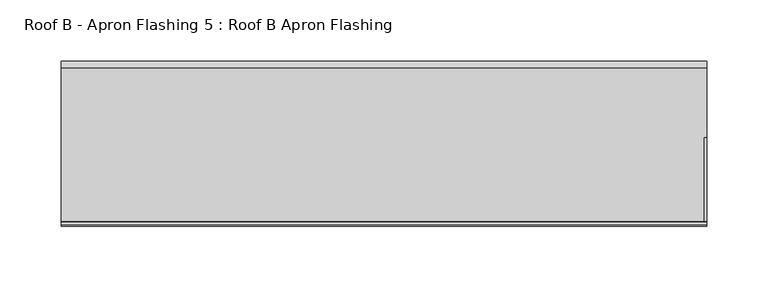
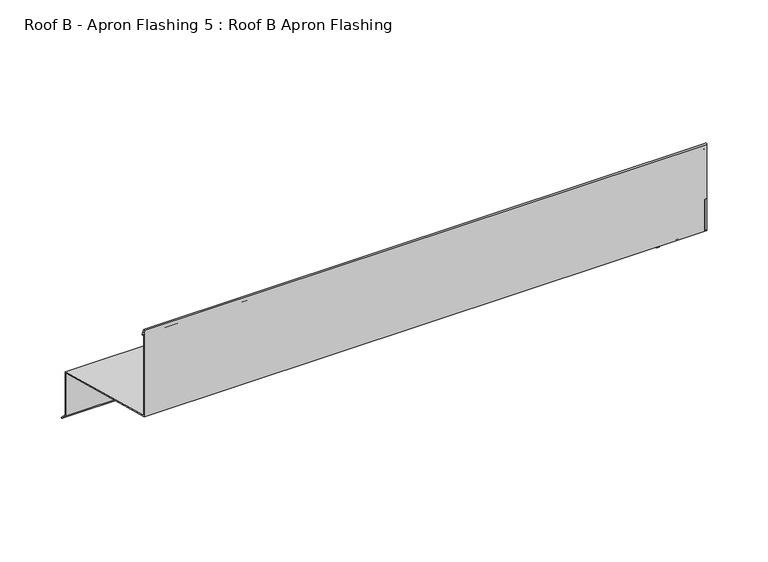
"""IFC4 building model written with IfcOpenShell, lengths in millimetres: proxy geometry, Roof B - Apron Flashing 5 : Roof B Apron Flashing."""

from ifc_helpers import new_model, si_unit, point, frame, frame_2d, origin, place, context, project, spatial, polyline, circle_curve, trimmed, segment, composite_curve, outline, extrude, source, transform, mapped, element, save


def roof_b_apron_flashing_5_roof_b_apron_flashing_30864825(model_context):
    return source(origin(), model_context, "Body", "SweptSolid", [
        extrude(outline(polyline([(673.2344915, -388.7215885), (622.3615096, -375.090214), (622.3615096, -332.4690062), (673.2344915, -346.1003806), (673.2344915, -388.7215885)])), frame((13694.3541786, 0.0, 0.0), z_axis=(1.0, 0.0, 0.0), x_axis=(0.0, 1.0, 0.0)), (0.0, 0.0, 1.0), 2.0),
        extrude(outline(polyline([(617.3615096, -330.093984), (544.8615096, -310.6676676), (544.8615096, -279.7934577), (617.3615096, -299.2197742), (617.3615096, -330.093984)])), frame((13694.3541786, 0.0, 0.0), z_axis=(1.0, 0.0, 0.0), x_axis=(0.0, 1.0, 0.0)), (0.0, 0.0, 1.0), 2.0),
        extrude(outline(composite_curve([segment(polyline([(674.2344915, -345.3330536), (674.2344915, -388.338713), (680.2651268, -394.3693483), (679.55802, -395.0764551), (673.2344915, -388.7529266), (673.2344915, -346.1003806), (544.8615096, -311.7029438), (544.8615096, -225.8538686)]), True, "CONTINUOUS"), segment(trimmed(circle_curve(frame_2d((545.5405538, -225.8538686)), 0.6790442), [point((544.8615096, -225.8538686))], [point((546.1701526, -225.5994942))], False, "CARTESIAN"), True, "CONTINUOUS"), segment(polyline([(546.1701526, -225.5994942), (548.5846074, -231.5754797)]), True, "CONTINUOUS"), segment(trimmed(circle_curve(frame_2d((548.1210155, -231.762783)), 0.5), [point((548.5846074, -231.5754797))], [point((547.6574236, -231.9500863))], False, "CARTESIAN"), True, "CONTINUOUS"), segment(polyline([(547.6574236, -231.9500863), (545.8615096, -227.5050431), (545.8615096, -310.9356168), (674.2344915, -345.3330536)]), True, "CONTINUOUS")], self_intersect=False)), frame((13167.4791786, 0.0, 0.0), z_axis=(1.0, 0.0, 0.0), x_axis=(0.0, 1.0, 0.0)), (0.0, 0.0, 1.0), 528.875),
    ])


if __name__ == "__main__":
    model = new_model("IFC4")
    model_context = context("Model", 3, world=origin())
    ifc_project = project(units=[si_unit("LENGTHUNIT", "METRE", prefix="MILLI")], contexts=[model_context])
    site = spatial("IfcSite", under=ifc_project)
    building = spatial("IfcBuilding", under=site)
    placement = place(None, origin())
    roof_b_apron_flashing_5_roof_b_apron_flashing_shape = roof_b_apron_flashing_5_roof_b_apron_flashing_30864825(model_context)
    element("IfcBuildingElementProxy", 1, Name="Roof B - Apron Flashing 5 : Roof B Apron Flashing", ObjectType="Roof B - Apron Flashing 5 : Roof B Apron Flashing", at=placement, inside=building, context=model_context, shape_type="MappedRepresentation", body=[
        mapped(roof_b_apron_flashing_5_roof_b_apron_flashing_shape, transform((0.0, 0.0, 0.0), x_axis=(1.0, 0.0, 0.0), y_axis=(0.0, 1.0, 0.0), z_axis=(0.0, 0.0, 1.0))),
    ])
    save(model, "model.ifc")
